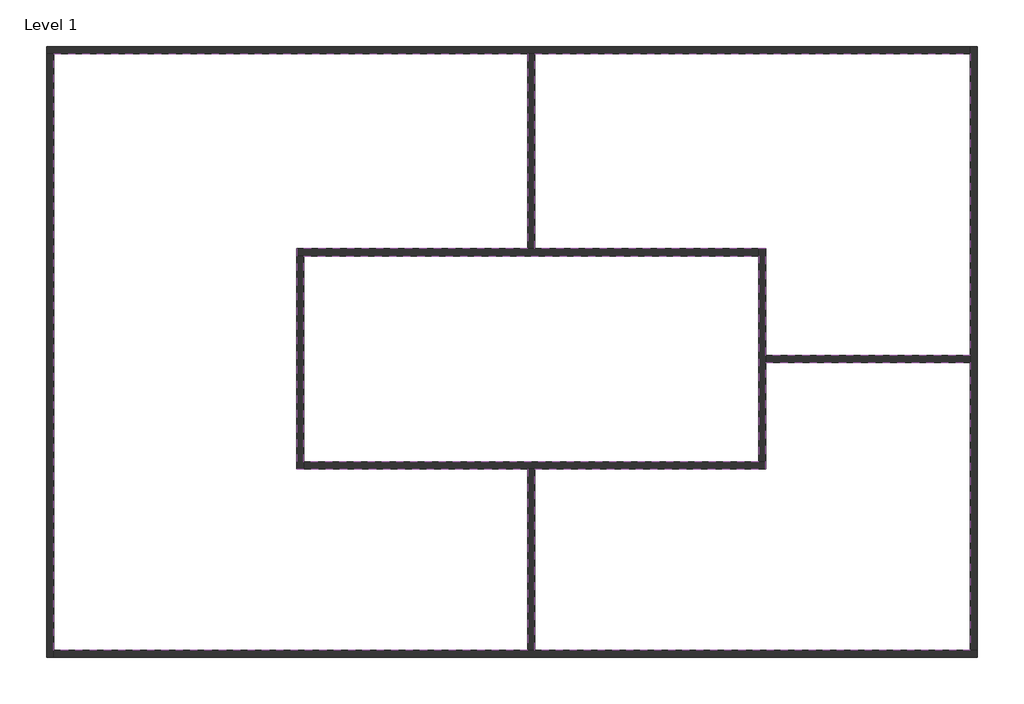
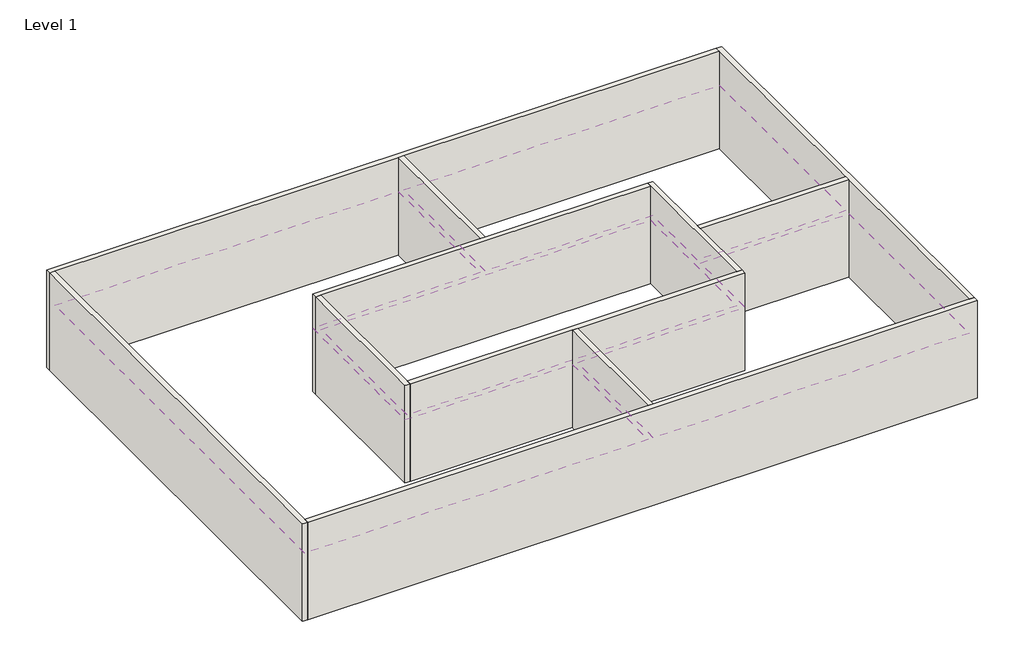
# One storey: 11 walls, 4 coverings.
"""IFC4 building model written with IfcOpenShell, lengths in millimetres."""

from ifc_helpers import new_model, si_unit, frame, origin, origin_with_axes, place, context, project, spatial, polyline, outline, extrude, faceted_brep, element, save

model = new_model("IFC4")

# Units and contexts
model_context = context("Model", 3, world=origin())
ifc_project = project(units=[si_unit("LENGTHUNIT", "METRE", prefix="MILLI")], contexts=[model_context])

# Site, building, storey
site = spatial("IfcSite", under=ifc_project)
building = spatial("IfcBuilding", under=site)
storey = spatial("IfcBuildingStorey", under=building, Name="Level 1", Elevation=0.0)

# Coverings
placement = place(None, origin())
element("IfcCovering", 1, ObjectType="Plain", at=placement, inside=storey, context=model_context, shape_type="SweptSolid", body=[
    extrude(outline(polyline([(-13600.5655872, 7961.9055497), (-261.1198707, 7961.9055497), (-261.1198707, 2465.0345317), (-6761.1198707, 2465.0345317), (-6761.1198707, -3734.9654683), (-261.1198707, -3734.9654683), (-261.1198707, -8838.0944503), (-13600.5655872, -8838.0944503), (-13600.5655872, 7961.9055497)])), frame((0.0, 0.0, 2600.0), z_axis=(0.0, 0.0, 1.0), x_axis=(1.0, 0.0, 0.0)), (0.0, 0.0, 1.0), 57.0),
])
element("IfcCovering", 2, ObjectType="Plain", at=placement, inside=storey, context=model_context, shape_type="SweptSolid", body=[
    extrude(outline(polyline([(-6561.1198707, 2265.0345317), (6238.8801293, 2265.0345317), (6238.8801293, -3534.9654683), (-6561.1198707, -3534.9654683), (-6561.1198707, 2265.0345317)])), frame((0.0, 0.0, 2600.0), z_axis=(0.0, 0.0, 1.0), x_axis=(1.0, 0.0, 0.0)), (0.0, 0.0, 1.0), 57.0),
])
element("IfcCovering", 3, ObjectType="Plain", at=placement, inside=storey, context=model_context, shape_type="SweptSolid", body=[
    extrude(outline(polyline([(-61.1198707, 7961.9055497), (12199.4344128, 7961.9055497), (12199.4344128, -534.9654683), (6438.8801293, -534.9654683), (6438.8801293, 2465.0345317), (-61.1198707, 2465.0345317), (-61.1198707, 7961.9055497)])), frame((0.0, 0.0, 2600.0), z_axis=(0.0, 0.0, 1.0), x_axis=(1.0, 0.0, 0.0)), (0.0, 0.0, 1.0), 57.0),
])
element("IfcCovering", 4, ObjectType="Plain", at=placement, inside=storey, context=model_context, shape_type="SweptSolid", body=[
    extrude(outline(polyline([(12199.4344128, -8838.0944503), (-61.1198707, -8838.0944503), (-61.1198707, -3734.9654683), (6438.8801293, -3734.9654683), (6438.8801293, -734.9654683), (12199.4344128, -734.9654683), (12199.4344128, -8838.0944503)])), frame((0.0, 0.0, 2600.0), z_axis=(0.0, 0.0, 1.0), x_axis=(1.0, 0.0, 0.0)), (0.0, 0.0, 1.0), 57.0),
])

# Walls
element("IfcWall", 5, ObjectType="Generic - 200mm", at=placement, inside=storey, context=model_context, shape_type="Brep", body=[
    faceted_brep([(-13800.5655872, 7961.9055497, 0.0), (-13600.5655872, 7961.9055497, 0.0), (-261.1198707, 7961.9055497, 0.0), (-61.1198707, 7961.9055497, 0.0), (12199.4344128, 7961.9055497, 0.0), (12199.4344128, 7961.9055497, 4000.0), (-61.1198707, 7961.9055497, 4000.0), (-261.1198707, 7961.9055497, 4000.0), (-13600.5655872, 7961.9055497, 4000.0), (-13800.5655872, 7961.9055497, 4000.0), (-13800.5655872, 8161.9055497, 0.0), (-13800.5655872, 8161.9055497, 4000.0), (12199.4344128, 8161.9055497, 4000.0), (12199.4344128, 8161.9055497, 0.0)], [[[0, 1, 2, 3, 4, 5, 6, 7, 8, 9]], [[10, 11, 12, 13]], [[4, 3, 2, 1, 0, 10, 13]], [[9, 8, 7, 6, 5, 12, 11]], [[0, 9, 11, 10]], [[5, 4, 13, 12]]]),
])
element("IfcWall", 6, ObjectType="Generic - 200mm", at=placement, inside=storey, context=model_context, shape_type="Brep", body=[
    faceted_brep([(-13600.5655872, -9038.0944503, 0.0), (-13600.5655872, -8838.0944503, 0.0), (-13600.5655872, 7961.9055497, 0.0), (-13600.5655872, 7961.9055497, 4000.0), (-13600.5655872, -8838.0944503, 4000.0), (-13600.5655872, -9038.0944503, 4000.0), (-13800.5655872, -9038.0944503, 0.0), (-13800.5655872, -9038.0944503, 4000.0), (-13800.5655872, 7961.9055497, 4000.0), (-13800.5655872, 7961.9055497, 0.0)], [[[0, 1, 2, 3, 4, 5]], [[6, 7, 8, 9]], [[2, 1, 0, 6, 9]], [[5, 4, 3, 8, 7]], [[0, 5, 7, 6]], [[3, 2, 9, 8]]]),
])
element("IfcWall", 7, ObjectType="Generic - 200mm", at=placement, inside=storey, context=model_context, shape_type="Brep", body=[
    faceted_brep([(12399.4344128, -8838.0944503, 0.0), (12199.4344128, -8838.0944503, 0.0), (-61.1198707, -8838.0944503, 0.0), (-261.1198707, -8838.0944503, 0.0), (-13600.5655872, -8838.0944503, 0.0), (-13600.5655872, -8838.0944503, 4000.0), (-261.1198707, -8838.0944503, 4000.0), (-61.1198707, -8838.0944503, 4000.0), (12199.4344128, -8838.0944503, 4000.0), (12399.4344128, -8838.0944503, 4000.0), (12399.4344128, -9038.0944503, 0.0), (12399.4344128, -9038.0944503, 4000.0), (-13600.5655872, -9038.0944503, 4000.0), (-13600.5655872, -9038.0944503, 0.0)], [[[0, 1, 2, 3, 4, 5, 6, 7, 8, 9]], [[10, 11, 12, 13]], [[4, 3, 2, 1, 0, 10, 13]], [[9, 8, 7, 6, 5, 12, 11]], [[0, 9, 11, 10]], [[5, 4, 13, 12]]]),
])
element("IfcWall", 8, ObjectType="Generic - 200mm", at=placement, inside=storey, context=model_context, shape_type="Brep", body=[
    faceted_brep([(12199.4344128, 8161.9055497, 0.0), (12199.4344128, 7961.9055497, 0.0), (12199.4344128, -534.9654683, 0.0), (12199.4344128, -734.9654683, 0.0), (12199.4344128, -8838.0944503, 0.0), (12199.4344128, -8838.0944503, 4000.0), (12199.4344128, -734.9654683, 4000.0), (12199.4344128, -534.9654683, 4000.0), (12199.4344128, 7961.9055497, 4000.0), (12199.4344128, 8161.9055497, 4000.0), (12399.4344128, 8161.9055497, 0.0), (12399.4344128, 8161.9055497, 4000.0), (12399.4344128, -8838.0944503, 4000.0), (12399.4344128, -8838.0944503, 0.0)], [[[0, 1, 2, 3, 4, 5, 6, 7, 8, 9]], [[10, 11, 12, 13]], [[4, 3, 2, 1, 0, 10, 13]], [[9, 8, 7, 6, 5, 12, 11]], [[0, 9, 11, 10]], [[5, 4, 13, 12]]]),
])
element("IfcWall", 9, ObjectType="Generic - 200mm", at=placement, inside=storey, context=model_context, shape_type="Brep", body=[
    faceted_brep([(-6761.1198707, 2265.0345317, 0.0), (-6561.1198707, 2265.0345317, 0.0), (6238.8801293, 2265.0345317, 0.0), (6238.8801293, 2265.0345317, 4000.0), (-6561.1198707, 2265.0345317, 4000.0), (-6761.1198707, 2265.0345317, 4000.0), (-6761.1198707, 2465.0345317, 0.0), (-6761.1198707, 2465.0345317, 4000.0), (-261.1198707, 2465.0345317, 4000.0), (-61.1198707, 2465.0345317, 4000.0), (6238.8801293, 2465.0345317, 4000.0), (6238.8801293, 2465.0345317, 0.0), (-61.1198707, 2465.0345317, 0.0), (-261.1198707, 2465.0345317, 0.0)], [[[0, 1, 2, 3, 4, 5]], [[6, 7, 8, 9, 10, 11, 12, 13]], [[2, 1, 0, 6, 13, 12, 11]], [[5, 4, 3, 10, 9, 8, 7]], [[0, 5, 7, 6]], [[3, 2, 11, 10]]]),
])
element("IfcWall", 10, ObjectType="Generic - 200mm", at=placement, inside=storey, context=model_context, shape_type="Brep", body=[
    faceted_brep([(-6561.1198707, -3734.9654683, 0.0), (-6561.1198707, -3534.9654683, 0.0), (-6561.1198707, 2265.0345317, 0.0), (-6561.1198707, 2265.0345317, 4000.0), (-6561.1198707, -3534.9654683, 4000.0), (-6561.1198707, -3734.9654683, 4000.0), (-6761.1198707, -3734.9654683, 0.0), (-6761.1198707, -3734.9654683, 4000.0), (-6761.1198707, 2265.0345317, 4000.0), (-6761.1198707, 2265.0345317, 0.0)], [[[0, 1, 2, 3, 4, 5]], [[6, 7, 8, 9]], [[2, 1, 0, 6, 9]], [[5, 4, 3, 8, 7]], [[0, 5, 7, 6]], [[3, 2, 9, 8]]]),
])
element("IfcWall", 11, ObjectType="Generic - 200mm", at=placement, inside=storey, context=model_context, shape_type="Brep", body=[
    faceted_brep([(6438.8801293, -3534.9654683, 0.0), (6238.8801293, -3534.9654683, 0.0), (-6561.1198707, -3534.9654683, 0.0), (-6561.1198707, -3534.9654683, 4000.0), (6238.8801293, -3534.9654683, 4000.0), (6438.8801293, -3534.9654683, 4000.0), (6438.8801293, -3734.9654683, 0.0), (6438.8801293, -3734.9654683, 4000.0), (-61.1198707, -3734.9654683, 4000.0), (-261.1198707, -3734.9654683, 4000.0), (-6561.1198707, -3734.9654683, 4000.0), (-6561.1198707, -3734.9654683, 0.0), (-261.1198707, -3734.9654683, 0.0), (-61.1198707, -3734.9654683, 0.0)], [[[0, 1, 2, 3, 4, 5]], [[6, 7, 8, 9, 10, 11, 12, 13]], [[2, 1, 0, 6, 13, 12, 11]], [[5, 4, 3, 10, 9, 8, 7]], [[0, 5, 7, 6]], [[3, 2, 11, 10]]]),
])
element("IfcWall", 12, ObjectType="Generic - 200mm", at=placement, inside=storey, context=model_context, shape_type="Brep", body=[
    faceted_brep([(6238.8801293, 2465.0345317, 0.0), (6238.8801293, 2265.0345317, 0.0), (6238.8801293, -3534.9654683, 0.0), (6238.8801293, -3534.9654683, 4000.0), (6238.8801293, 2265.0345317, 4000.0), (6238.8801293, 2465.0345317, 4000.0), (6438.8801293, 2465.0345317, 0.0), (6438.8801293, 2465.0345317, 4000.0), (6438.8801293, -534.9654683, 4000.0), (6438.8801293, -734.9654683, 4000.0), (6438.8801293, -3534.9654683, 4000.0), (6438.8801293, -3534.9654683, 0.0), (6438.8801293, -734.9654683, 0.0), (6438.8801293, -534.9654683, 0.0)], [[[0, 1, 2, 3, 4, 5]], [[6, 7, 8, 9, 10, 11, 12, 13]], [[2, 1, 0, 6, 13, 12, 11]], [[5, 4, 3, 10, 9, 8, 7]], [[0, 5, 7, 6]], [[3, 2, 11, 10]]]),
])
element("IfcWall", 13, ObjectType="Generic - 200mm", at=placement, inside=storey, context=model_context, shape_type="SweptSolid", body=[
    extrude(outline(polyline([(-61.1198707, 7961.9055497), (-61.1198707, 2465.0345317), (-261.1198707, 2465.0345317), (-261.1198707, 7961.9055497), (-61.1198707, 7961.9055497)])), origin_with_axes(), (0.0, 0.0, 1.0), 4000.0),
])
element("IfcWall", 14, ObjectType="Generic - 200mm", at=placement, inside=storey, context=model_context, shape_type="SweptSolid", body=[
    extrude(outline(polyline([(-261.1198707, -8838.0944503), (-261.1198707, -3734.9654683), (-61.1198707, -3734.9654683), (-61.1198707, -8838.0944503), (-261.1198707, -8838.0944503)])), origin_with_axes(), (0.0, 0.0, 1.0), 4000.0),
])
element("IfcWall", 15, ObjectType="Generic - 200mm", at=placement, inside=storey, context=model_context, shape_type="SweptSolid", body=[
    extrude(outline(polyline([(12199.4344128, -734.9654683), (6438.8801293, -734.9654683), (6438.8801293, -534.9654683), (12199.4344128, -534.9654683), (12199.4344128, -734.9654683)])), origin_with_axes(), (0.0, 0.0, 1.0), 4000.0),
])

save(model, "model.ifc")
